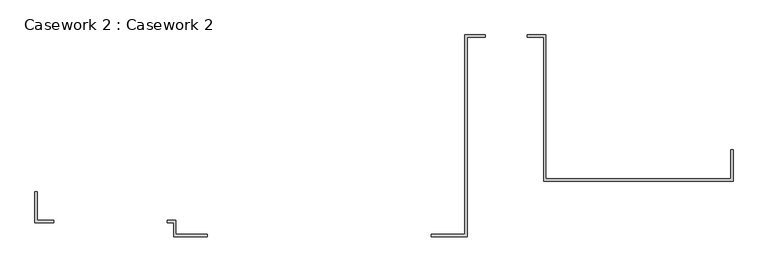
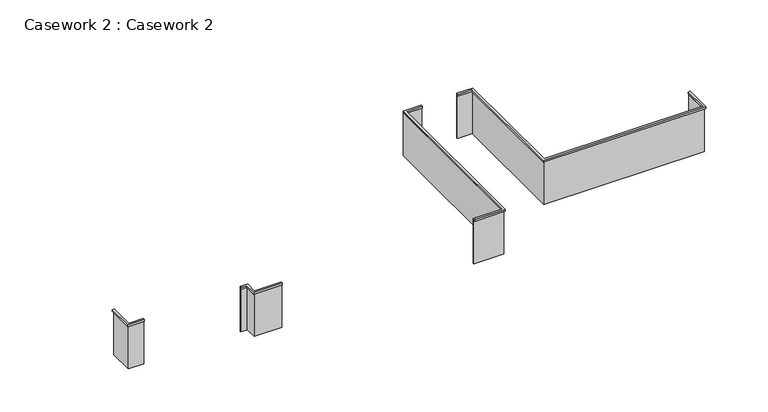
"""IFC4 building model written with IfcOpenShell, lengths in millimetres: furniture geometry, Casework 2 : Casework 2."""

from ifc_helpers import new_model, si_unit, frame, origin, origin_with_axes, place, context, project, spatial, polyline, outline, extrude, source, transform, mapped, element, save


def casework_2_casework_2_746b2ef7(model_context):
    return source(origin(), model_context, "Body", "SweptSolid", [
        extrude(outline(polyline([(6963.1165587, -7127.208337), (6963.1165587, -6492.208337), (7013.9165587, -6492.208337), (7013.9165587, -7178.008337), (2848.5284925, -7178.008337), (2848.5284925, -4015.708337), (2486.4725256, -4015.708337), (2486.4725256, -3964.908337), (2899.3284925, -3964.908337), (2899.3284925, -7127.208337), (6963.1165587, -7127.208337)])), frame((0.0, 0.0, 1168.4), z_axis=(0.0, 0.0, 1.0), x_axis=(1.0, 0.0, 0.0)), (0.0, 0.0, 1.0), 50.8),
        extrude(outline(polyline([(1121.2225256, -3964.908337), (1572.0725256, -3964.908337), (1572.0725256, -4015.708337), (1172.0225256, -4015.708337), (1172.0225256, -8397.208337), (384.6225256, -8397.208337), (384.6225256, -8346.408337), (1121.2225256, -8346.408337), (1121.2225256, -3964.908337)])), frame((0.0, 0.0, 1168.4), z_axis=(0.0, 0.0, 1.0), x_axis=(1.0, 0.0, 0.0)), (0.0, 0.0, 1.0), 50.8),
        extrude(outline(polyline([(-4542.9774744, -8346.408337), (-4542.9774744, -8397.208337), (-5279.5774744, -8397.208337), (-5279.5774744, -8092.408337), (-5419.2774744, -8092.408337), (-5419.2774744, -8041.608337), (-5228.7774744, -8041.608337), (-5228.7774744, -8346.408337), (-4542.9774744, -8346.408337)])), frame((0.0, 0.0, 1168.4), z_axis=(0.0, 0.0, 1.0), x_axis=(1.0, 0.0, 0.0)), (0.0, 0.0, 1.0), 50.8),
        extrude(outline(polyline([(-7908.4774744, -8041.608337), (-7908.4774744, -8092.408337), (-8327.5774744, -8092.408337), (-8327.5774744, -7406.608337), (-8276.7774744, -7406.608337), (-8276.7774744, -8041.608337), (-7908.4774744, -8041.608337)])), frame((0.0, 0.0, 1168.4), z_axis=(0.0, 0.0, 1.0), x_axis=(1.0, 0.0, 0.0)), (0.0, 0.0, 1.0), 50.8),
        extrude(outline(polyline([(6963.1165587, -7127.208337), (6963.1165587, -6517.608337), (6988.5165587, -6517.608337), (6988.5165587, -7152.608337), (2873.9284925, -7152.608337), (2873.9284925, -3990.308337), (2486.4725256, -3990.308337), (2486.4725256, -3964.908337), (2899.3284925, -3964.908337), (2899.3284925, -7127.208337), (6963.1165587, -7127.208337)])), origin_with_axes(), (0.0, 0.0, 1.0), 1168.4),
        extrude(outline(polyline([(1121.2225256, -3964.908337), (1572.0725256, -3964.908337), (1572.0725256, -3990.308337), (1146.6225256, -3990.308337), (1146.6225256, -8371.808337), (384.6225256, -8371.808337), (384.6225256, -8346.408337), (1121.2225256, -8346.408337), (1121.2225256, -3964.908337)])), origin_with_axes(), (0.0, 0.0, 1.0), 1168.4),
        extrude(outline(polyline([(-4542.9774744, -8346.408337), (-4542.9774744, -8371.808337), (-5254.1774744, -8371.808337), (-5254.1774744, -8067.008337), (-5419.2774744, -8067.008337), (-5419.2774744, -8041.608337), (-5228.7774744, -8041.608337), (-5228.7774744, -8346.408337), (-4542.9774744, -8346.408337)])), origin_with_axes(), (0.0, 0.0, 1.0), 1168.4),
        extrude(outline(polyline([(-7908.4774744, -8041.608337), (-7908.4774744, -8067.008337), (-8302.1774744, -8067.008337), (-8302.1774744, -7432.008337), (-8276.7774744, -7432.008337), (-8276.7774744, -8041.608337), (-7908.4774744, -8041.608337)])), origin_with_axes(), (0.0, 0.0, 1.0), 1168.4),
    ])


if __name__ == "__main__":
    model = new_model("IFC4")
    model_context = context("Model", 3, world=origin())
    ifc_project = project(units=[si_unit("LENGTHUNIT", "METRE", prefix="MILLI")], contexts=[model_context])
    site = spatial("IfcSite", under=ifc_project)
    building = spatial("IfcBuilding", under=site)
    placement = place(None, origin())
    casework_2_casework_2_shape = casework_2_casework_2_746b2ef7(model_context)
    element("IfcFurniture", 1, ObjectType="Casework 2 : Casework 2", at=placement, inside=building, context=model_context, shape_type="MappedRepresentation", body=[
        mapped(casework_2_casework_2_shape, transform((0.0, 0.0, 0.0), x_axis=(1.0, 0.0, 0.0), y_axis=(0.0, 1.0, 0.0), z_axis=(0.0, 0.0, 1.0))),
    ])
    save(model, "model.ifc")
